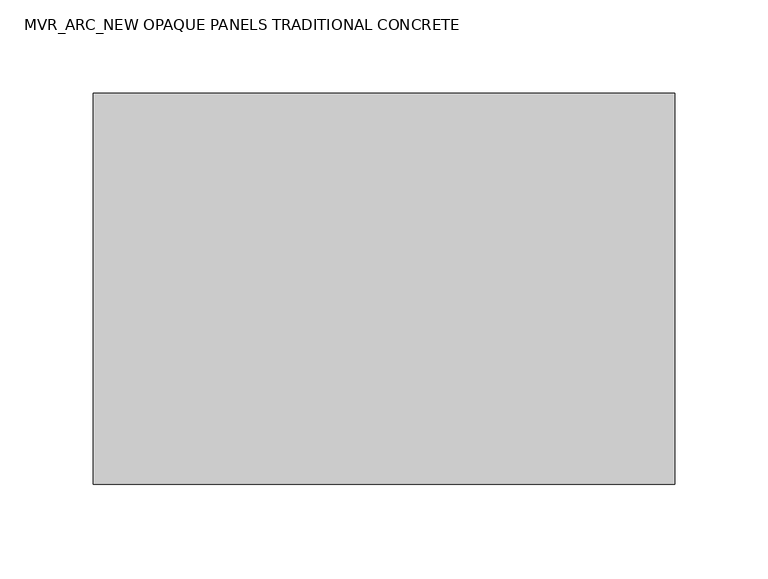
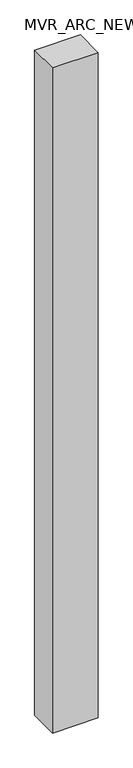
"""IFC4 building model written with IfcOpenShell, lengths in millimetres: plate geometry, MVR_ARC_NEW OPAQUE PANELS TRADITIONAL CONCRETE."""

import ifcopenshell
import ifcopenshell.guid

model = None  # the IFC model being written
_history = None  # IfcOwnerHistory: only IFC2X3 demands one
_inside = {}  # id of a spatial element -> (the spatial element, [elements in it])
_under = {}  # id of a project, library or spatial element -> (it, [spatial elements below it])
_declared = {}  # id of a project -> (the project, [libraries it declares])
_typed = {}  # id of a type object -> (the type object, [elements of that type])
_made_of = {}  # id of a material, layer set ... -> (it, [elements and type objects made of it])


def new_model(schema):
    """Start an empty IFC model of exactly this schema.

    Asked for "IFC4X3", IfcOpenShell would pick the latest addendum, in which some entities
    have other attributes; the version numbers below select the first issue.
    IFC2X3 requires an IfcOwnerHistory on every rooted entity: one is made here for all.
    """
    global model, _history
    if schema == "IFC4X3":
        model = ifcopenshell.file(schema_version=(4, 3, 0, 0))
    else:
        model = ifcopenshell.file(schema=schema)
    _inside.clear()
    _under.clear()
    _declared.clear()
    _typed.clear()
    _made_of.clear()
    _history = None
    if model.schema == "IFC2X3":
        org = make("IfcOrganization", Name="unknown")
        user = make(
            "IfcPersonAndOrganization",
            ThePerson=make("IfcPerson", FamilyName="unknown"),
            TheOrganization=org,
        )
        app = make(
            "IfcApplication",
            ApplicationDeveloper=org,
            Version="unknown",
            ApplicationFullName="unknown",
            ApplicationIdentifier="unknown",
        )
        _history = make(
            "IfcOwnerHistory",
            OwningUser=user,
            OwningApplication=app,
            ChangeAction="ADDED",
            CreationDate=0,
        )
    return model


def make(cls, **values):
    """One entity of the class cls with the attributes given. An attribute that is None is left unset."""
    return model.create_entity(
        cls, **{name: value for name, value in values.items() if value is not None}
    )


def rooted(cls, **values):
    """An entity with a GlobalId (a new one), such as an element, a storey or a relation."""
    return make(cls, GlobalId=ifcopenshell.guid.new(), OwnerHistory=_history, **values)


def si_unit(unit_type, name, prefix=None):
    """IfcSIUnit, for example si_unit("LENGTHUNIT", "METRE", prefix="MILLI")."""
    return make("IfcSIUnit", UnitType=unit_type, Prefix=prefix, Name=name)


def assignment(units):
    """IfcUnitAssignment: the units of a project."""
    return None if units is None else make("IfcUnitAssignment", Units=units)


def point(xyz):
    """IfcCartesianPoint."""
    return None if xyz is None else make("IfcCartesianPoint", Coordinates=xyz)


def direction(xyz):
    """IfcDirection."""
    return None if xyz is None else make("IfcDirection", DirectionRatios=xyz)


def frame(location, z_axis=None, x_axis=None):
    """IfcAxis2Placement3D, a coordinate frame: its origin and axes. An axis left out is left unset."""
    return make(
        "IfcAxis2Placement3D",
        Location=point(location),
        Axis=direction(z_axis),
        RefDirection=direction(x_axis),
    )


def origin():
    """The frame at (0, 0, 0) with its axes left unset."""
    return frame((0.0, 0.0, 0.0))


def origin_with_axes():
    """The frame at (0, 0, 0) with the z axis (0, 0, 1) and the x axis (1, 0, 0) written out."""
    return frame((0.0, 0.0, 0.0), z_axis=(0.0, 0.0, 1.0), x_axis=(1.0, 0.0, 0.0))


def place(relative_to, where):
    """IfcLocalPlacement: puts the frame where relative to a parent placement (None: the world)."""
    return make(
        "IfcLocalPlacement", PlacementRelTo=relative_to, RelativePlacement=where
    )


def context(
    kind, dimensions, precision=None, world=None, true_north=None, identifier=None
):
    """IfcGeometricRepresentationContext, for example the 3D "Model" context."""
    return make(
        "IfcGeometricRepresentationContext",
        ContextIdentifier=identifier,
        ContextType=kind,
        CoordinateSpaceDimension=dimensions,
        Precision=precision,
        WorldCoordinateSystem=world,
        TrueNorth=true_north,
    )


def project(units=None, contexts=None):
    """IfcProject with its units and contexts."""
    return rooted(
        "IfcProject",
        Name="project",
        RepresentationContexts=contexts,
        UnitsInContext=assignment(units),
    )


def spatial(cls, under=None, at=None, **own):
    """A site, building, storey or space (cls), placed at a placement, below another one or the project."""
    s = rooted(cls, ObjectPlacement=at, **own)
    if under is not None:
        _under.setdefault(under.id(), (under, []))[1].append(s)
    return s


def polyline(points):
    """IfcPolyline through the points."""
    return make("IfcPolyline", Points=[point(p) for p in points])


def outline(outer, holes=None, kind="AREA"):
    """IfcArbitraryClosedProfileDef: a profile drawn as a closed curve; with holes, ...WithVoids."""
    if holes is None:
        return make("IfcArbitraryClosedProfileDef", ProfileType=kind, OuterCurve=outer)
    return make(
        "IfcArbitraryProfileDefWithVoids",
        ProfileType=kind,
        OuterCurve=outer,
        InnerCurves=holes,
    )


def extrude(swept, where, along, depth):
    """IfcExtrudedAreaSolid: the profile swept, set in the frame where, extruded along a direction by depth."""
    return make(
        "IfcExtrudedAreaSolid",
        SweptArea=swept,
        Position=where,
        ExtrudedDirection=direction(along),
        Depth=depth,
    )


def shape(context_of_items, identifier, shape_type, items):
    """IfcShapeRepresentation: the items that make up one representation, for example the "Body"."""
    return make(
        "IfcShapeRepresentation",
        ContextOfItems=context_of_items,
        RepresentationIdentifier=identifier,
        RepresentationType=shape_type,
        Items=items,
    )


def source(mapping_origin, context_of_items, identifier, shape_type, items):
    """IfcRepresentationMap: a shape defined once, which mapped items show again and again."""
    return make(
        "IfcRepresentationMap",
        MappingOrigin=mapping_origin,
        MappedRepresentation=shape(context_of_items, identifier, shape_type, items),
    )


def transform(
    local_origin,
    x_axis=None,
    y_axis=None,
    z_axis=None,
    scale=None,
    scale2=None,
    scale3=None,
    uniform=True,
):
    """IfcCartesianTransformationOperator3D, or its non-uniform kind. x_axis, y_axis, z_axis: its Axis1, 2, 3."""
    if uniform:
        return make(
            "IfcCartesianTransformationOperator3D",
            Axis1=direction(x_axis),
            Axis2=direction(y_axis),
            LocalOrigin=point(local_origin),
            Scale=scale,
            Axis3=direction(z_axis),
        )
    return make(
        "IfcCartesianTransformationOperator3DnonUniform",
        Axis1=direction(x_axis),
        Axis2=direction(y_axis),
        LocalOrigin=point(local_origin),
        Scale=scale,
        Axis3=direction(z_axis),
        Scale2=scale2,
        Scale3=scale3,
    )


def mapped(mapping_source, mapping_target):
    """IfcMappedItem: shows the shape of a source again, moved by a transform."""
    return make(
        "IfcMappedItem", MappingSource=mapping_source, MappingTarget=mapping_target
    )


def made_of(thing, what):
    """Note that an element or type object is made of a material, layer set ...; save() writes the relation."""
    if what is not None:
        _made_of.setdefault(what.id(), (what, []))[1].append(thing)
    return thing


def element(
    cls,
    number,
    at=None,
    inside=None,
    cuts=None,
    type_object=None,
    material=None,
    context=None,
    identifier="Body",
    shape_type=None,
    held_by="IfcProductDefinitionShape",
    body=None,
    shapes=None,
    **own,
):
    """One element of the class cls, such as IfcWall. Its Tag is "e" and its number.

    at: its placement. inside: the storey or other place that contains it. cuts: it is an
    opening in that element (IfcRelVoidsElement). A single representation is given by context,
    identifier, shape_type and body (its items); several are given by shapes. held_by: the class
    of the entity that holds the representations. save() writes the other relations.
    """
    e = rooted(cls, Tag="e%d" % number, ObjectPlacement=at, **own)
    if body is not None:
        shapes = [shape(context, identifier, shape_type, body)]
    if shapes is not None:
        e.Representation = make(held_by, Representations=shapes)
    if inside is not None:
        _inside.setdefault(inside.id(), (inside, []))[1].append(e)
    if cuts is not None:
        rooted(
            "IfcRelVoidsElement", RelatingBuildingElement=cuts, RelatedOpeningElement=e
        )
    if type_object is not None:
        _typed.setdefault(type_object.id(), (type_object, []))[1].append(e)
    return made_of(e, material)


def aggregate(whole, parts):
    """IfcRelAggregates: a whole, such as a stair, and the parts it consists of."""
    return rooted("IfcRelAggregates", RelatingObject=whole, RelatedObjects=parts)


def save(model, path):
    """Write the relations noted so far, then the file.

    IfcRelAggregates (storeys below a building ...), IfcRelContainedInSpatialStructure (elements
    in a storey), IfcRelDefinesByType, IfcRelAssociatesMaterial and IfcRelDeclares: one each for
    every whole, place, type object, material and project.
    """
    for whole, parts in _under.values():
        aggregate(whole, parts)
    for where, things in _inside.values():
        rooted(
            "IfcRelContainedInSpatialStructure",
            RelatedElements=things,
            RelatingStructure=where,
        )
    for kind, things in _typed.values():
        rooted("IfcRelDefinesByType", RelatedObjects=things, RelatingType=kind)
    for what, things in _made_of.values():
        rooted("IfcRelAssociatesMaterial", RelatedObjects=things, RelatingMaterial=what)
    for by, libraries in _declared.values():
        rooted("IfcRelDeclares", RelatingContext=by, RelatedDefinitions=libraries)
    model.write(path)


def mvr_arc_new_opaque_panels_traditional_concrete_c235f55f(model_context):
    return source(origin(), model_context, "Body", "SweptSolid", [
        extrude(outline(polyline([(156.2, -60.0), (-156.2, -60.0), (-156.2, 150.0), (156.2, 150.0), (156.2, -60.0)])), origin_with_axes(), (0.0, 0.0, 1.0), 4800.0),
    ])


if __name__ == "__main__":
    model = new_model("IFC4")
    model_context = context("Model", 3, world=origin())
    ifc_project = project(units=[si_unit("LENGTHUNIT", "METRE", prefix="MILLI")], contexts=[model_context])
    site = spatial("IfcSite", under=ifc_project)
    building = spatial("IfcBuilding", under=site)
    placement = place(None, origin())
    mvr_arc_new_opaque_panels_traditional_concrete_shape = mvr_arc_new_opaque_panels_traditional_concrete_c235f55f(model_context)
    element("IfcPlate", 1, ObjectType="MVR_ARC_NEW OPAQUE PANELS TRADITIONAL CONCRETE", at=placement, inside=building, context=model_context, shape_type="MappedRepresentation", body=[
        mapped(mvr_arc_new_opaque_panels_traditional_concrete_shape, transform((0.0, 0.0, 0.0), x_axis=(1.0, 0.0, 0.0), y_axis=(0.0, 1.0, 0.0), z_axis=(0.0, 0.0, 1.0))),
    ])
    save(model, "model.ifc")
